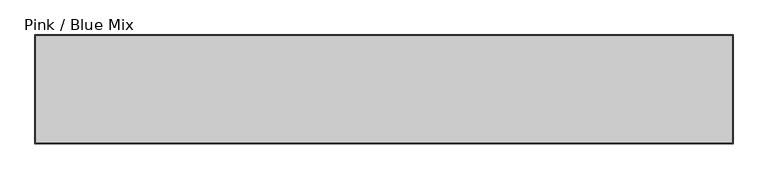
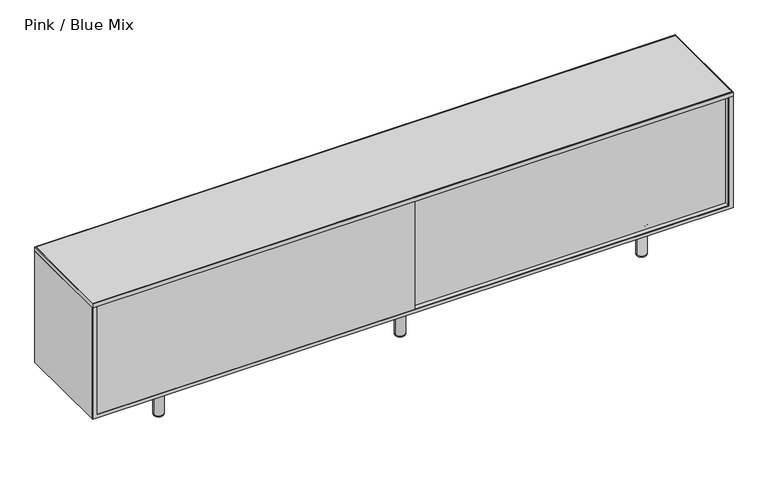
"""IFC4 building model written with IfcOpenShell, lengths in millimetres: furniture geometry, Pink / Blue Mix."""

from ifc_helpers import new_model, si_unit, point, frame, origin, origin_with_axes, place, context, project, spatial, polyline, circle_curve, ellipse_curve, trimmed, outline, extrude, source, transform, mapped, element, save
from ifc_brep_helpers import plane_surface, cylinder_surface, revolved_surface, advanced_brep


def pink_blue_mix_b618a155(model_context):
    return source(origin(), model_context, "Body", "SolidModel", [
        advanced_brep(
        [(530.1068161, -93.0002203, 4.9999847), (559.8906083, -93.0002203, 4.9999847), (544.9987122, -93.0002203, 4.9999847), (524.9987122, -93.0002203, 10.1080886), (564.9987122, -93.0002203, 10.1080886), (524.9987122, -93.0002203, 138.9999847), (564.9987122, -93.0002203, 138.9999847), (519.9987142, -93.0002203, 143.9999847), (569.9987102, -93.0002203, 143.9999847), (519.9987142, -93.0002203, 151.9999847), (569.9987102, -93.0002203, 151.9999847), (544.9987122, -93.0002203, 151.9999847)],
        [
            (0, 1, circle_curve(frame((544.9987122, -93.0002203, 4.9999847), z_axis=(0.0, 0.0, -1.0), x_axis=(1.0, 0.0, 0.0)), 14.8918961)),
            (1, 2),
            (2, 0),
            (1, 0, circle_curve(frame((544.9987122, -93.0002203, 4.9999847), z_axis=(0.0, 0.0, -1.0), x_axis=(1.0, 0.0, 0.0)), 14.8918961)),
            (3, 4, circle_curve(frame((544.9987122, -93.0002203, 10.1080886), z_axis=(0.0, 0.0, -1.0), x_axis=(1.0, 0.0, 0.0)), 20.0)),
            (4, 1, circle_curve(frame((559.8906083, -93.0002203, 10.1080886), z_axis=(0.0, 1.0, 0.0), x_axis=(1.0, 0.0, 0.0)), 5.1081039)),
            (0, 3, circle_curve(frame((530.1068161, -93.0002203, 10.1080886), z_axis=(0.0, 1.0, 0.0), x_axis=(-1.0, 0.0, 0.0)), 5.1081039)),
            (4, 3, circle_curve(frame((544.9987122, -93.0002203, 10.1080886), z_axis=(0.0, 0.0, -1.0), x_axis=(1.0, 0.0, 0.0)), 20.0)),
            (5, 6, circle_curve(frame((544.9987122, -93.0002203, 138.9999847), z_axis=(0.0, 0.0, -1.0), x_axis=(1.0, 0.0, 0.0)), 20.0)),
            (6, 4),
            (3, 5),
            (6, 5, circle_curve(frame((544.9987122, -93.0002203, 138.9999847), z_axis=(0.0, 0.0, -1.0), x_axis=(1.0, 0.0, 0.0)), 20.0)),
            (7, 8, circle_curve(frame((544.9987122, -93.0002203, 143.9999847), z_axis=(0.0, 0.0, -1.0), x_axis=(1.0, 0.0, 0.0)), 24.999998)),
            (8, 6, circle_curve(frame((564.9987102, -93.0002203, 143.9999847), z_axis=(0.0, 1.0, 0.0), x_axis=(1.0, 0.0, 0.0)), 5.0)),
            (5, 7, circle_curve(frame((524.9987142, -93.0002203, 143.9999847), z_axis=(0.0, 1.0, 0.0), x_axis=(-1.0, 0.0, 0.0)), 5.0)),
            (8, 7, circle_curve(frame((544.9987122, -93.0002203, 143.9999847), z_axis=(0.0, 0.0, -1.0), x_axis=(1.0, 0.0, 0.0)), 24.999998)),
            (9, 10, circle_curve(frame((544.9987122, -93.0002203, 151.9999847), z_axis=(0.0, 0.0, -1.0), x_axis=(1.0, 0.0, 0.0)), 24.999998)),
            (10, 8),
            (7, 9),
            (10, 9, circle_curve(frame((544.9987122, -93.0002203, 151.9999847), z_axis=(0.0, 0.0, -1.0), x_axis=(1.0, 0.0, 0.0)), 24.999998)),
            (11, 10),
            (9, 11),
        ],
        [
            plane_surface(frame((544.9987122, -93.0002203, 4.9999847), z_axis=(0.0, 0.0, -1.0), x_axis=(1.0, 0.0, 0.0))),
            revolved_surface(trimmed(ellipse_curve(frame((559.8906083, -93.0002203, 10.1080886), z_axis=(0.0, -1.0, 0.0), x_axis=(1.0, 0.0, 0.0)), 5.1081039, 5.1081039), [point((559.8906083, -93.0002203, 4.9999847))], [point((564.9987122, -93.0002203, 10.1080886))], True, "CARTESIAN"), (544.9987122, -93.0002203, 162.0), (0.0, 0.0, 1.0)),
            cylinder_surface(frame((544.9987122, -93.0002203, 162.0), z_axis=(0.0, 0.0, 1.0), x_axis=(1.0, 0.0, 0.0)), 20.0),
            revolved_surface(trimmed(ellipse_curve(frame((564.9987102, -93.0002203, 143.9999847), z_axis=(0.0, -1.0, 0.0), x_axis=(1.0, 0.0, 0.0)), 5.0, 5.0), [point((564.9987122, -93.0002203, 138.9999847))], [point((569.9987102, -93.0002203, 143.9999847))], True, "CARTESIAN"), (544.9987122, -93.0002203, 162.0), (0.0, 0.0, 1.0)),
            cylinder_surface(frame((544.9987122, -93.0002203, 162.0), z_axis=(0.0, 0.0, 1.0), x_axis=(1.0, 0.0, 0.0)), 24.999998),
            plane_surface(frame((544.9987122, -93.0002203, 151.9999847), z_axis=(0.0, 0.0, 1.0), x_axis=(1.0, 0.0, 0.0))),
        ],
        [
            (0, [[1, 2, 3]]),
            (0, [[4, -3, -2]]),
            (1, [[5, 6, -1, 7]]),
            (1, [[8, -7, -4, -6]]),
            (2, [[9, 10, -5, 11]]),
            (2, [[12, -11, -8, -10]]),
            (3, [[13, 14, -9, 15]]),
            (3, [[16, -15, -12, -14]]),
            (4, [[17, 18, -13, 19]]),
            (4, [[20, -19, -16, -18]]),
            (5, [[21, -17, 22]]),
            (5, [[-22, -20, -21]]),
        ],
    ),
        advanced_brep(
        [(530.1068161, -315.0001246, 4.9999847), (559.8906083, -315.0001246, 4.9999847), (544.9987122, -315.0001246, 4.9999847), (524.9987122, -315.0001246, 10.1080886), (564.9987122, -315.0001246, 10.1080886), (524.9987122, -315.0001246, 138.9999847), (564.9987122, -315.0001246, 138.9999847), (519.9987324, -315.0001246, 143.9999704), (569.998692, -315.0001246, 143.9999704), (519.9987324, -315.0001246, 151.9999847), (569.998692, -315.0001246, 151.9999847), (544.9987122, -315.0001246, 151.9999847)],
        [
            (0, 1, circle_curve(frame((544.9987122, -315.0001246, 4.9999847), z_axis=(0.0, 0.0, -1.0), x_axis=(1.0, 0.0, 0.0)), 14.8918961)),
            (1, 2),
            (2, 0),
            (1, 0, circle_curve(frame((544.9987122, -315.0001246, 4.9999847), z_axis=(0.0, 0.0, -1.0), x_axis=(1.0, 0.0, 0.0)), 14.8918961)),
            (3, 4, circle_curve(frame((544.9987122, -315.0001246, 10.1080886), z_axis=(0.0, 0.0, -1.0), x_axis=(1.0, 0.0, 0.0)), 20.0)),
            (4, 1, circle_curve(frame((559.8906083, -315.0001246, 10.1080886), z_axis=(0.0, 1.0, 0.0), x_axis=(1.0, 0.0, 0.0)), 5.1081039)),
            (0, 3, circle_curve(frame((530.1068161, -315.0001246, 10.1080886), z_axis=(0.0, 1.0, 0.0), x_axis=(-1.0, 0.0, 0.0)), 5.1081039)),
            (4, 3, circle_curve(frame((544.9987122, -315.0001246, 10.1080886), z_axis=(0.0, 0.0, -1.0), x_axis=(1.0, 0.0, 0.0)), 20.0)),
            (5, 6, circle_curve(frame((544.9987122, -315.0001246, 138.9999847), z_axis=(0.0, 0.0, -1.0), x_axis=(1.0, 0.0, 0.0)), 20.0)),
            (6, 4),
            (3, 5),
            (6, 5, circle_curve(frame((544.9987122, -315.0001246, 138.9999847), z_axis=(0.0, 0.0, -1.0), x_axis=(1.0, 0.0, 0.0)), 20.0)),
            (7, 8, circle_curve(frame((544.9987122, -315.0001246, 143.9999704), z_axis=(0.0, 0.0, -1.0), x_axis=(1.0, 0.0, 0.0)), 24.9999798)),
            (8, 6, circle_curve(frame((564.9987064, -315.0001246, 143.9999704), z_axis=(0.0, 1.0, 0.0), x_axis=(1.0, 0.0, 0.0)), 4.9999856)),
            (5, 7, circle_curve(frame((524.998718, -315.0001246, 143.9999704), z_axis=(0.0, 1.0, 0.0), x_axis=(-1.0, 0.0, 0.0)), 4.9999856)),
            (8, 7, circle_curve(frame((544.9987122, -315.0001246, 143.9999704), z_axis=(0.0, 0.0, -1.0), x_axis=(1.0, 0.0, 0.0)), 24.9999798)),
            (9, 10, circle_curve(frame((544.9987122, -315.0001246, 151.9999847), z_axis=(0.0, 0.0, -1.0), x_axis=(1.0, 0.0, 0.0)), 24.9999798)),
            (10, 8),
            (7, 9),
            (10, 9, circle_curve(frame((544.9987122, -315.0001246, 151.9999847), z_axis=(0.0, 0.0, -1.0), x_axis=(1.0, 0.0, 0.0)), 24.9999798)),
            (11, 10),
            (9, 11),
        ],
        [
            plane_surface(frame((544.9987122, -315.0001246, 4.9999847), z_axis=(0.0, 0.0, -1.0), x_axis=(1.0, 0.0, 0.0))),
            revolved_surface(trimmed(ellipse_curve(frame((559.8906083, -315.0001246, 10.1080886), z_axis=(0.0, -1.0, 0.0), x_axis=(1.0, 0.0, 0.0)), 5.1081039, 5.1081039), [point((559.8906083, -315.0001246, 4.9999847))], [point((564.9987122, -315.0001246, 10.1080886))], True, "CARTESIAN"), (544.9987122, -315.0001246, 162.0), (0.0, 0.0, 1.0)),
            cylinder_surface(frame((544.9987122, -315.0001246, 162.0), z_axis=(0.0, 0.0, 1.0), x_axis=(1.0, 0.0, 0.0)), 20.0),
            revolved_surface(trimmed(ellipse_curve(frame((564.9987064, -315.0001246, 143.9999704), z_axis=(0.0, -1.0, 0.0), x_axis=(1.0, 0.0, 0.0)), 4.9999856, 4.9999856), [point((564.9987122, -315.0001246, 138.9999847))], [point((569.998692, -315.0001246, 143.9999704))], True, "CARTESIAN"), (544.9987122, -315.0001246, 162.0), (0.0, 0.0, 1.0)),
            cylinder_surface(frame((544.9987122, -315.0001246, 162.0), z_axis=(0.0, 0.0, 1.0), x_axis=(1.0, 0.0, 0.0)), 24.9999798),
            plane_surface(frame((544.9987122, -315.0001246, 151.9999847), z_axis=(0.0, 0.0, 1.0), x_axis=(1.0, 0.0, 0.0))),
        ],
        [
            (0, [[1, 2, 3]]),
            (0, [[4, -3, -2]]),
            (1, [[5, 6, -1, 7]]),
            (1, [[8, -7, -4, -6]]),
            (2, [[9, 10, -5, 11]]),
            (2, [[12, -11, -8, -10]]),
            (3, [[13, 14, -9, 15]]),
            (3, [[16, -15, -12, -14]]),
            (4, [[17, 18, -13, 19]]),
            (4, [[20, -19, -16, -18]]),
            (5, [[21, -17, 22]]),
            (5, [[-22, -20, -21]]),
        ],
    ),
        extrude(outline(polyline([(1276.9998273, -363.8923054), (554.0327611, -363.8923054), (554.0327611, -360.8443054), (1276.9998273, -360.8443054), (1276.9998273, -363.8923054)])), frame((0.0, 0.0, 385.4660079), z_axis=(0.0, 0.0, 1.0), x_axis=(1.0, 0.0, 0.0)), (0.0, 0.0, 1.0), 18.034),
        extrude(outline(polyline([(1827.0004272, -363.8923054), (1827.0004272, -383.0000066), (535.9671169, -383.0000066), (535.9671169, -363.8923054), (1827.0004272, -363.8923054)])), frame((0.0, 0.0, 162.0000158), z_axis=(0.0, 0.0, 1.0), x_axis=(1.0, 0.0, 0.0)), (0.0, 0.0, 1.0), 464.9659842),
        extrude(outline(polyline([(554.0327611, -360.8443054), (554.0327611, -1.9423054), (1827.0004272, -1.9423054), (1827.0004272, -360.8443054), (554.0327611, -360.8443054)])), frame((0.0, 0.0, 385.4660079), z_axis=(0.0, 0.0, 1.0), x_axis=(1.0, 0.0, 0.0)), (0.0, 0.0, 1.0), 18.034),
        extrude(outline(polyline([(554.0327611, -363.8923054), (535.9671169, -363.8923054), (535.9671169, -2.9999092), (554.0327611, -2.9999092), (554.0327611, -363.8923054)])), frame((0.0, 0.0, 162.0000158), z_axis=(0.0, 0.0, 1.0), x_axis=(1.0, 0.0, 0.0)), (0.0, 0.0, 1.0), 464.9659842),
        extrude(outline(polyline([(554.0327611, -383.0000903), (554.0327611, -402.1077915), (-737.0025024, -402.1077915), (-737.0025024, -383.0000903), (554.0327611, -383.0000903)])), frame((0.0, 0.0, 162.0000158), z_axis=(0.0, 0.0, 1.0), x_axis=(1.0, 0.0, 0.0)), (0.0, 0.0, 1.0), 464.9659842),
        extrude(outline(polyline([(148.999977, -755.0025024), (148.999977, 1845.0004272), (626.966, 1845.0004272), (626.966, 1827.0004272), (162.0000158, 1827.0004272), (162.0000158, -737.0025024), (626.966, -737.0025024), (626.966, -755.0025024), (148.999977, -755.0025024)])), frame((0.0, -404.9992766, 0.0), z_axis=(0.0, 1.0, 0.0), x_axis=(0.0, 0.0, 1.0)), (0.0, 0.0, 1.0), 2.891485),
        extrude(outline(polyline([(-737.0003229, -401.9512766), (-737.0003229, -3.048), (1827.0004272, -3.048), (1827.0004272, -401.9512766), (-737.0003229, -401.9512766)])), frame((0.0, 0.0, 151.9999847), z_axis=(0.0, 0.0, 1.0), x_axis=(1.0, 0.0, 0.0)), (0.0, 0.0, 1.0), 10.0000311),
        extrude(outline(polyline([(-751.9545024, -401.9512766), (-751.9545024, -3.048), (1841.9524272, -3.048), (1841.9524272, -401.9512766), (-751.9545024, -401.9512766)])), frame((0.0, 0.0, 626.966), z_axis=(0.0, 0.0, 1.0), x_axis=(1.0, 0.0, 0.0)), (0.0, 0.0, 1.0), 18.034),
        advanced_brep(
        [(1525.0006479, -93.0002203, 4.9999847), (1510.1087517, -93.0002203, 4.9999847), (1539.892544, -93.0002203, 4.9999847), (1505.0006479, -93.0002203, 10.1080886), (1545.0006479, -93.0002203, 10.1080886), (1505.0006479, -93.0002203, 138.9999847), (1545.0006479, -93.0002203, 138.9999847), (1500.0006499, -93.0002203, 143.9999847), (1550.0006458, -93.0002203, 143.9999847), (1500.0006499, -93.0002203, 151.9999847), (1550.0006458, -93.0002203, 151.9999847), (1525.0006479, -93.0002203, 151.9999847)],
        [
            (0, 1),
            (1, 2, circle_curve(frame((1525.0006479, -93.0002203, 4.9999847), z_axis=(0.0, 0.0, -1.0), x_axis=(-1.0, 0.0, 0.0)), 14.8918961)),
            (2, 0),
            (2, 1, circle_curve(frame((1525.0006479, -93.0002203, 4.9999847), z_axis=(0.0, 0.0, -1.0), x_axis=(-1.0, 0.0, 0.0)), 14.8918961)),
            (1, 3, circle_curve(frame((1510.1087517, -93.0002203, 10.1080886), z_axis=(0.0, 1.0, 0.0), x_axis=(-1.0, 0.0, 0.0)), 5.1081039)),
            (3, 4, circle_curve(frame((1525.0006479, -93.0002203, 10.1080886), z_axis=(0.0, 0.0, -1.0), x_axis=(-1.0, 0.0, 0.0)), 20.0)),
            (4, 2, circle_curve(frame((1539.892544, -93.0002203, 10.1080886), z_axis=(0.0, 1.0, 0.0), x_axis=(1.0, 0.0, 0.0)), 5.1081039)),
            (4, 3, circle_curve(frame((1525.0006479, -93.0002203, 10.1080886), z_axis=(0.0, 0.0, -1.0), x_axis=(-1.0, 0.0, 0.0)), 20.0)),
            (3, 5),
            (5, 6, circle_curve(frame((1525.0006479, -93.0002203, 138.9999847), z_axis=(0.0, 0.0, -1.0), x_axis=(-1.0, 0.0, 0.0)), 20.0)),
            (6, 4),
            (6, 5, circle_curve(frame((1525.0006479, -93.0002203, 138.9999847), z_axis=(0.0, 0.0, -1.0), x_axis=(-1.0, 0.0, 0.0)), 20.0)),
            (5, 7, circle_curve(frame((1505.0006499, -93.0002203, 143.9999847), z_axis=(0.0, 1.0, 0.0), x_axis=(-1.0, 0.0, 0.0)), 5.0)),
            (7, 8, circle_curve(frame((1525.0006479, -93.0002203, 143.9999847), z_axis=(0.0, 0.0, -1.0), x_axis=(-1.0, 0.0, 0.0)), 24.999998)),
            (8, 6, circle_curve(frame((1545.0006458, -93.0002203, 143.9999847), z_axis=(0.0, 1.0, 0.0), x_axis=(1.0, 0.0, 0.0)), 5.0)),
            (8, 7, circle_curve(frame((1525.0006479, -93.0002203, 143.9999847), z_axis=(0.0, 0.0, -1.0), x_axis=(-1.0, 0.0, 0.0)), 24.999998)),
            (7, 9),
            (9, 10, circle_curve(frame((1525.0006479, -93.0002203, 151.9999847), z_axis=(0.0, 0.0, -1.0), x_axis=(-1.0, 0.0, 0.0)), 24.999998)),
            (10, 8),
            (10, 9, circle_curve(frame((1525.0006479, -93.0002203, 151.9999847), z_axis=(0.0, 0.0, -1.0), x_axis=(-1.0, 0.0, 0.0)), 24.999998)),
            (9, 11),
            (11, 10),
        ],
        [
            plane_surface(frame((1525.0006479, -93.0002203, 4.9999847), z_axis=(0.0, 0.0, -1.0), x_axis=(-1.0, 0.0, 0.0))),
            revolved_surface(trimmed(ellipse_curve(frame((1510.1087517, -93.0002203, 10.1080886), z_axis=(0.0, -1.0, 0.0), x_axis=(-1.0, 0.0, 0.0)), 5.1081039, 5.1081039), [point((1505.0006479, -93.0002203, 10.1080886))], [point((1510.1087517, -93.0002203, 4.9999847))], True, "CARTESIAN"), (1525.0006479, -93.0002203, 162.0), (0.0, 0.0, -1.0)),
            cylinder_surface(frame((1525.0006479, -93.0002203, 162.0), z_axis=(0.0, 0.0, -1.0), x_axis=(-1.0, 0.0, 0.0)), 20.0),
            revolved_surface(trimmed(ellipse_curve(frame((1505.0006499, -93.0002203, 143.9999847), z_axis=(0.0, -1.0, 0.0), x_axis=(-1.0, 0.0, 0.0)), 5.0, 5.0), [point((1500.0006499, -93.0002203, 143.9999847))], [point((1505.0006479, -93.0002203, 138.9999847))], True, "CARTESIAN"), (1525.0006479, -93.0002203, 162.0), (0.0, 0.0, -1.0)),
            cylinder_surface(frame((1525.0006479, -93.0002203, 162.0), z_axis=(0.0, 0.0, -1.0), x_axis=(-1.0, 0.0, 0.0)), 24.999998),
            plane_surface(frame((1525.0006479, -93.0002203, 151.9999847), z_axis=(0.0, 0.0, 1.0), x_axis=(-1.0, 0.0, 0.0))),
        ],
        [
            (0, [[1, 2, 3]]),
            (0, [[-3, 4, -1]]),
            (1, [[-2, 5, 6, 7]]),
            (1, [[-4, -7, 8, -5]]),
            (2, [[-6, 9, 10, 11]]),
            (2, [[-8, -11, 12, -9]]),
            (3, [[-10, 13, 14, 15]]),
            (3, [[-12, -15, 16, -13]]),
            (4, [[-14, 17, 18, 19]]),
            (4, [[-16, -19, 20, -17]]),
            (5, [[-18, 21, 22]]),
            (5, [[-20, -22, -21]]),
        ],
    ),
        advanced_brep(
        [(1525.0006479, -315.0001246, 4.9999847), (1510.1087517, -315.0001246, 4.9999847), (1539.892544, -315.0001246, 4.9999847), (1505.0006479, -315.0001246, 10.1080886), (1545.0006479, -315.0001246, 10.1080886), (1505.0006479, -315.0001246, 138.9999847), (1545.0006479, -315.0001246, 138.9999847), (1500.000668, -315.0001246, 143.9999704), (1550.0006277, -315.0001246, 143.9999704), (1500.000668, -315.0001246, 151.9999847), (1550.0006277, -315.0001246, 151.9999847), (1525.0006479, -315.0001246, 151.9999847)],
        [
            (0, 1),
            (1, 2, circle_curve(frame((1525.0006479, -315.0001246, 4.9999847), z_axis=(0.0, 0.0, -1.0), x_axis=(-1.0, 0.0, 0.0)), 14.8918961)),
            (2, 0),
            (2, 1, circle_curve(frame((1525.0006479, -315.0001246, 4.9999847), z_axis=(0.0, 0.0, -1.0), x_axis=(-1.0, 0.0, 0.0)), 14.8918961)),
            (1, 3, circle_curve(frame((1510.1087517, -315.0001246, 10.1080886), z_axis=(0.0, 1.0, 0.0), x_axis=(-1.0, 0.0, 0.0)), 5.1081039)),
            (3, 4, circle_curve(frame((1525.0006479, -315.0001246, 10.1080886), z_axis=(0.0, 0.0, -1.0), x_axis=(-1.0, 0.0, 0.0)), 20.0)),
            (4, 2, circle_curve(frame((1539.892544, -315.0001246, 10.1080886), z_axis=(0.0, 1.0, 0.0), x_axis=(1.0, 0.0, 0.0)), 5.1081039)),
            (4, 3, circle_curve(frame((1525.0006479, -315.0001246, 10.1080886), z_axis=(0.0, 0.0, -1.0), x_axis=(-1.0, 0.0, 0.0)), 20.0)),
            (3, 5),
            (5, 6, circle_curve(frame((1525.0006479, -315.0001246, 138.9999847), z_axis=(0.0, 0.0, -1.0), x_axis=(-1.0, 0.0, 0.0)), 20.0)),
            (6, 4),
            (6, 5, circle_curve(frame((1525.0006479, -315.0001246, 138.9999847), z_axis=(0.0, 0.0, -1.0), x_axis=(-1.0, 0.0, 0.0)), 20.0)),
            (5, 7, circle_curve(frame((1505.0006537, -315.0001246, 143.9999704), z_axis=(0.0, 1.0, 0.0), x_axis=(-1.0, 0.0, 0.0)), 4.9999856)),
            (7, 8, circle_curve(frame((1525.0006479, -315.0001246, 143.9999704), z_axis=(0.0, 0.0, -1.0), x_axis=(-1.0, 0.0, 0.0)), 24.9999798)),
            (8, 6, circle_curve(frame((1545.000642, -315.0001246, 143.9999704), z_axis=(0.0, 1.0, 0.0), x_axis=(1.0, 0.0, 0.0)), 4.9999856)),
            (8, 7, circle_curve(frame((1525.0006479, -315.0001246, 143.9999704), z_axis=(0.0, 0.0, -1.0), x_axis=(-1.0, 0.0, 0.0)), 24.9999798)),
            (7, 9),
            (9, 10, circle_curve(frame((1525.0006479, -315.0001246, 151.9999847), z_axis=(0.0, 0.0, -1.0), x_axis=(-1.0, 0.0, 0.0)), 24.9999798)),
            (10, 8),
            (10, 9, circle_curve(frame((1525.0006479, -315.0001246, 151.9999847), z_axis=(0.0, 0.0, -1.0), x_axis=(-1.0, 0.0, 0.0)), 24.9999798)),
            (9, 11),
            (11, 10),
        ],
        [
            plane_surface(frame((1525.0006479, -315.0001246, 4.9999847), z_axis=(0.0, 0.0, -1.0), x_axis=(-1.0, 0.0, 0.0))),
            revolved_surface(trimmed(ellipse_curve(frame((1510.1087517, -315.0001246, 10.1080886), z_axis=(0.0, -1.0, 0.0), x_axis=(-1.0, 0.0, 0.0)), 5.1081039, 5.1081039), [point((1505.0006479, -315.0001246, 10.1080886))], [point((1510.1087517, -315.0001246, 4.9999847))], True, "CARTESIAN"), (1525.0006479, -315.0001246, 162.0), (0.0, 0.0, -1.0)),
            cylinder_surface(frame((1525.0006479, -315.0001246, 162.0), z_axis=(0.0, 0.0, -1.0), x_axis=(-1.0, 0.0, 0.0)), 20.0),
            revolved_surface(trimmed(ellipse_curve(frame((1505.0006537, -315.0001246, 143.9999704), z_axis=(0.0, -1.0, 0.0), x_axis=(-1.0, 0.0, 0.0)), 4.9999856, 4.9999856), [point((1500.000668, -315.0001246, 143.9999704))], [point((1505.0006479, -315.0001246, 138.9999847))], True, "CARTESIAN"), (1525.0006479, -315.0001246, 162.0), (0.0, 0.0, -1.0)),
            cylinder_surface(frame((1525.0006479, -315.0001246, 162.0), z_axis=(0.0, 0.0, -1.0), x_axis=(-1.0, 0.0, 0.0)), 24.9999798),
            plane_surface(frame((1525.0006479, -315.0001246, 151.9999847), z_axis=(0.0, 0.0, 1.0), x_axis=(-1.0, 0.0, 0.0))),
        ],
        [
            (0, [[1, 2, 3]]),
            (0, [[-3, 4, -1]]),
            (1, [[-2, 5, 6, 7]]),
            (1, [[-4, -7, 8, -5]]),
            (2, [[-6, 9, 10, 11]]),
            (2, [[-8, -11, 12, -9]]),
            (3, [[-10, 13, 14, 15]]),
            (3, [[-12, -15, 16, -13]]),
            (4, [[-14, 17, 18, 19]]),
            (4, [[-16, -19, 20, -17]]),
            (5, [[-18, 21, 22]]),
            (5, [[-20, -22, -21]]),
        ],
    ),
        extrude(outline(polyline([(-755.0025024, 0.0), (1845.0004272, 0.0), (1845.0004272, -404.9992766), (-755.0025024, -404.9992766), (-755.0025024, 0.0)]), holes=[polyline([(-751.9545024, -2.9999092), (-751.9545024, -401.9512766), (1841.9524272, -401.9512766), (1841.9524272, -2.9999092), (-751.9545024, -2.9999092)])]), frame((0.0, 0.0, 626.966), z_axis=(0.0, 0.0, 1.0), x_axis=(1.0, 0.0, 0.0)), (0.0, 0.0, 1.0), 18.034),
        extrude(outline(polyline([(1827.0004272, 0.0), (1827.0004272, -2.9999092), (-737.0025024, -2.9999092), (-737.0025024, 0.0), (1827.0004272, 0.0)])), frame((0.0, 0.0, 151.9999847), z_axis=(0.0, 0.0, 1.0), x_axis=(1.0, 0.0, 0.0)), (0.0, 0.0, 1.0), 474.9660153),
        extrude(outline(polyline([(-737.0025024, -402.1077915), (-755.0025024, -402.1077915), (-755.0025024, 0.0), (-737.0025024, 0.0), (-737.0025024, -402.1077915)])), frame((0.0, 0.0, 148.999977), z_axis=(0.0, 0.0, 1.0), x_axis=(1.0, 0.0, 0.0)), (0.0, 0.0, 1.0), 477.966023),
        extrude(outline(polyline([(1845.0004272, -402.1077915), (1827.0004272, -402.1077915), (1827.0004272, 0.0), (1845.0004272, 0.0), (1845.0004272, -402.1077915)])), frame((0.0, 0.0, 148.999977), z_axis=(0.0, 0.0, 1.0), x_axis=(1.0, 0.0, 0.0)), (0.0, 0.0, 1.0), 477.966023),
        advanced_brep(
        [(-449.8936722, -93.0002203, 4.9999847), (-420.10988, -93.0002203, 4.9999847), (-435.0017761, -93.0002203, 4.9999847), (-455.0017761, -93.0002203, 10.1080886), (-415.0017761, -93.0002203, 10.1080886), (-455.0017761, -93.0002203, 138.9999847), (-415.0017761, -93.0002203, 138.9999847), (-460.001774, -93.0002203, 143.9999847), (-410.0017781, -93.0002203, 143.9999847), (-460.001774, -93.0002203, 151.9999847), (-410.0017781, -93.0002203, 151.9999847), (-435.0017761, -93.0002203, 151.9999847)],
        [
            (0, 1, circle_curve(frame((-435.0017761, -93.0002203, 4.9999847), z_axis=(0.0, 0.0, -1.0), x_axis=(1.0, 0.0, 0.0)), 14.8918961)),
            (1, 2),
            (2, 0),
            (1, 0, circle_curve(frame((-435.0017761, -93.0002203, 4.9999847), z_axis=(0.0, 0.0, -1.0), x_axis=(1.0, 0.0, 0.0)), 14.8918961)),
            (3, 4, circle_curve(frame((-435.0017761, -93.0002203, 10.1080886), z_axis=(0.0, 0.0, -1.0), x_axis=(1.0, 0.0, 0.0)), 20.0)),
            (4, 1, circle_curve(frame((-420.10988, -93.0002203, 10.1080886), z_axis=(0.0, 1.0, 0.0), x_axis=(1.0, 0.0, 0.0)), 5.1081039)),
            (0, 3, circle_curve(frame((-449.8936722, -93.0002203, 10.1080886), z_axis=(0.0, 1.0, 0.0), x_axis=(-1.0, 0.0, 0.0)), 5.1081039)),
            (4, 3, circle_curve(frame((-435.0017761, -93.0002203, 10.1080886), z_axis=(0.0, 0.0, -1.0), x_axis=(1.0, 0.0, 0.0)), 20.0)),
            (5, 6, circle_curve(frame((-435.0017761, -93.0002203, 138.9999847), z_axis=(0.0, 0.0, -1.0), x_axis=(1.0, 0.0, 0.0)), 20.0)),
            (6, 4),
            (3, 5),
            (6, 5, circle_curve(frame((-435.0017761, -93.0002203, 138.9999847), z_axis=(0.0, 0.0, -1.0), x_axis=(1.0, 0.0, 0.0)), 20.0)),
            (7, 8, circle_curve(frame((-435.0017761, -93.0002203, 143.9999847), z_axis=(0.0, 0.0, -1.0), x_axis=(1.0, 0.0, 0.0)), 24.999998)),
            (8, 6, circle_curve(frame((-415.0017781, -93.0002203, 143.9999847), z_axis=(0.0, 1.0, 0.0), x_axis=(1.0, 0.0, 0.0)), 5.0)),
            (5, 7, circle_curve(frame((-455.001774, -93.0002203, 143.9999847), z_axis=(0.0, 1.0, 0.0), x_axis=(-1.0, 0.0, 0.0)), 5.0)),
            (8, 7, circle_curve(frame((-435.0017761, -93.0002203, 143.9999847), z_axis=(0.0, 0.0, -1.0), x_axis=(1.0, 0.0, 0.0)), 24.999998)),
            (9, 10, circle_curve(frame((-435.0017761, -93.0002203, 151.9999847), z_axis=(0.0, 0.0, -1.0), x_axis=(1.0, 0.0, 0.0)), 24.999998)),
            (10, 8),
            (7, 9),
            (10, 9, circle_curve(frame((-435.0017761, -93.0002203, 151.9999847), z_axis=(0.0, 0.0, -1.0), x_axis=(1.0, 0.0, 0.0)), 24.999998)),
            (11, 10),
            (9, 11),
        ],
        [
            plane_surface(frame((-435.0017761, -93.0002203, 4.9999847), z_axis=(0.0, 0.0, -1.0), x_axis=(1.0, 0.0, 0.0))),
            revolved_surface(trimmed(ellipse_curve(frame((-420.10988, -93.0002203, 10.1080886), z_axis=(0.0, -1.0, 0.0), x_axis=(1.0, 0.0, 0.0)), 5.1081039, 5.1081039), [point((-420.10988, -93.0002203, 4.9999847))], [point((-415.0017761, -93.0002203, 10.1080886))], True, "CARTESIAN"), (-435.0017761, -93.0002203, 162.0), (0.0, 0.0, 1.0)),
            cylinder_surface(frame((-435.0017761, -93.0002203, 162.0), z_axis=(0.0, 0.0, 1.0), x_axis=(1.0, 0.0, 0.0)), 20.0),
            revolved_surface(trimmed(ellipse_curve(frame((-415.0017781, -93.0002203, 143.9999847), z_axis=(0.0, -1.0, 0.0), x_axis=(1.0, 0.0, 0.0)), 5.0, 5.0), [point((-415.0017761, -93.0002203, 138.9999847))], [point((-410.0017781, -93.0002203, 143.9999847))], True, "CARTESIAN"), (-435.0017761, -93.0002203, 162.0), (0.0, 0.0, 1.0)),
            cylinder_surface(frame((-435.0017761, -93.0002203, 162.0), z_axis=(0.0, 0.0, 1.0), x_axis=(1.0, 0.0, 0.0)), 24.999998),
            plane_surface(frame((-435.0017761, -93.0002203, 151.9999847), z_axis=(0.0, 0.0, 1.0), x_axis=(1.0, 0.0, 0.0))),
        ],
        [
            (0, [[1, 2, 3]]),
            (0, [[4, -3, -2]]),
            (1, [[5, 6, -1, 7]]),
            (1, [[8, -7, -4, -6]]),
            (2, [[9, 10, -5, 11]]),
            (2, [[12, -11, -8, -10]]),
            (3, [[13, 14, -9, 15]]),
            (3, [[16, -15, -12, -14]]),
            (4, [[17, 18, -13, 19]]),
            (4, [[20, -19, -16, -18]]),
            (5, [[21, -17, 22]]),
            (5, [[-22, -20, -21]]),
        ],
    ),
        advanced_brep(
        [(-449.8936722, -315.0001246, 4.9999847), (-420.10988, -315.0001246, 4.9999847), (-435.0017761, -315.0001246, 4.9999847), (-455.0017761, -315.0001246, 10.1080886), (-415.0017761, -315.0001246, 10.1080886), (-455.0017761, -315.0001246, 138.9999847), (-415.0017761, -315.0001246, 138.9999847), (-460.0017559, -315.0001246, 143.9999704), (-410.0017963, -315.0001246, 143.9999704), (-460.0017559, -315.0001246, 151.9999847), (-410.0017963, -315.0001246, 151.9999847), (-435.0017761, -315.0001246, 151.9999847)],
        [
            (0, 1, circle_curve(frame((-435.0017761, -315.0001246, 4.9999847), z_axis=(0.0, 0.0, -1.0), x_axis=(1.0, 0.0, 0.0)), 14.8918961)),
            (1, 2),
            (2, 0),
            (1, 0, circle_curve(frame((-435.0017761, -315.0001246, 4.9999847), z_axis=(0.0, 0.0, -1.0), x_axis=(1.0, 0.0, 0.0)), 14.8918961)),
            (3, 4, circle_curve(frame((-435.0017761, -315.0001246, 10.1080886), z_axis=(0.0, 0.0, -1.0), x_axis=(1.0, 0.0, 0.0)), 20.0)),
            (4, 1, circle_curve(frame((-420.10988, -315.0001246, 10.1080886), z_axis=(0.0, 1.0, 0.0), x_axis=(1.0, 0.0, 0.0)), 5.1081039)),
            (0, 3, circle_curve(frame((-449.8936722, -315.0001246, 10.1080886), z_axis=(0.0, 1.0, 0.0), x_axis=(-1.0, 0.0, 0.0)), 5.1081039)),
            (4, 3, circle_curve(frame((-435.0017761, -315.0001246, 10.1080886), z_axis=(0.0, 0.0, -1.0), x_axis=(1.0, 0.0, 0.0)), 20.0)),
            (5, 6, circle_curve(frame((-435.0017761, -315.0001246, 138.9999847), z_axis=(0.0, 0.0, -1.0), x_axis=(1.0, 0.0, 0.0)), 20.0)),
            (6, 4),
            (3, 5),
            (6, 5, circle_curve(frame((-435.0017761, -315.0001246, 138.9999847), z_axis=(0.0, 0.0, -1.0), x_axis=(1.0, 0.0, 0.0)), 20.0)),
            (7, 8, circle_curve(frame((-435.0017761, -315.0001246, 143.9999704), z_axis=(0.0, 0.0, -1.0), x_axis=(1.0, 0.0, 0.0)), 24.9999798)),
            (8, 6, circle_curve(frame((-415.0017819, -315.0001246, 143.9999704), z_axis=(0.0, 1.0, 0.0), x_axis=(1.0, 0.0, 0.0)), 4.9999856)),
            (5, 7, circle_curve(frame((-455.0017703, -315.0001246, 143.9999704), z_axis=(0.0, 1.0, 0.0), x_axis=(-1.0, 0.0, 0.0)), 4.9999856)),
            (8, 7, circle_curve(frame((-435.0017761, -315.0001246, 143.9999704), z_axis=(0.0, 0.0, -1.0), x_axis=(1.0, 0.0, 0.0)), 24.9999798)),
            (9, 10, circle_curve(frame((-435.0017761, -315.0001246, 151.9999847), z_axis=(0.0, 0.0, -1.0), x_axis=(1.0, 0.0, 0.0)), 24.9999798)),
            (10, 8),
            (7, 9),
            (10, 9, circle_curve(frame((-435.0017761, -315.0001246, 151.9999847), z_axis=(0.0, 0.0, -1.0), x_axis=(1.0, 0.0, 0.0)), 24.9999798)),
            (11, 10),
            (9, 11),
        ],
        [
            plane_surface(frame((-435.0017761, -315.0001246, 4.9999847), z_axis=(0.0, 0.0, -1.0), x_axis=(1.0, 0.0, 0.0))),
            revolved_surface(trimmed(ellipse_curve(frame((-420.10988, -315.0001246, 10.1080886), z_axis=(0.0, -1.0, 0.0), x_axis=(1.0, 0.0, 0.0)), 5.1081039, 5.1081039), [point((-420.10988, -315.0001246, 4.9999847))], [point((-415.0017761, -315.0001246, 10.1080886))], True, "CARTESIAN"), (-435.0017761, -315.0001246, 162.0), (0.0, 0.0, 1.0)),
            cylinder_surface(frame((-435.0017761, -315.0001246, 162.0), z_axis=(0.0, 0.0, 1.0), x_axis=(1.0, 0.0, 0.0)), 20.0),
            revolved_surface(trimmed(ellipse_curve(frame((-415.0017819, -315.0001246, 143.9999704), z_axis=(0.0, -1.0, 0.0), x_axis=(1.0, 0.0, 0.0)), 4.9999856, 4.9999856), [point((-415.0017761, -315.0001246, 138.9999847))], [point((-410.0017963, -315.0001246, 143.9999704))], True, "CARTESIAN"), (-435.0017761, -315.0001246, 162.0), (0.0, 0.0, 1.0)),
            cylinder_surface(frame((-435.0017761, -315.0001246, 162.0), z_axis=(0.0, 0.0, 1.0), x_axis=(1.0, 0.0, 0.0)), 24.9999798),
            plane_surface(frame((-435.0017761, -315.0001246, 151.9999847), z_axis=(0.0, 0.0, 1.0), x_axis=(1.0, 0.0, 0.0))),
        ],
        [
            (0, [[1, 2, 3]]),
            (0, [[4, -3, -2]]),
            (1, [[5, 6, -1, 7]]),
            (1, [[8, -7, -4, -6]]),
            (2, [[9, 10, -5, 11]]),
            (2, [[12, -11, -8, -10]]),
            (3, [[13, 14, -9, 15]]),
            (3, [[16, -15, -12, -14]]),
            (4, [[17, 18, -13, 19]]),
            (4, [[20, -19, -16, -18]]),
            (5, [[21, -17, 22]]),
            (5, [[-22, -20, -21]]),
        ],
    ),
        extrude(outline(polyline([(-430.0000698, -306.3398785), (-425.000061, -315.0001415), (-430.000061, -323.6603893), (-440.000061, -323.6603893), (-445.000061, -315.0001415), (-440.000061, -306.3398785), (-430.0000698, -306.3398785)])), origin_with_axes(), (0.0, 0.0, 1.0), 4.9999847),
        extrude(outline(polyline([(-445.0000881, -93.0001781), (-440.0000934, -84.3399395), (-430.0000832, -84.3399395), (-425.0000908, -93.0001741), (-430.0000985, -101.6604351), (-440.0000828, -101.6604351), (-445.0000881, -93.0001781)])), origin_with_axes(), (0.0, 0.0, 1.0), 4.9999847),
        extrude(outline(polyline([(1519.9999478, -306.3398785), (1529.999939, -306.3398785), (1534.999939, -315.0001415), (1529.999939, -323.6603893), (1519.999939, -323.6603893), (1514.999939, -315.0001415), (1519.9999478, -306.3398785)])), origin_with_axes(), (0.0, 0.0, 1.0), 4.9999847),
        extrude(outline(polyline([(1534.999966, -93.0001781), (1529.9999607, -101.6604351), (1519.9999764, -101.6604351), (1514.9999687, -93.0001741), (1519.9999611, -84.3399395), (1529.9999713, -84.3399395), (1534.999966, -93.0001781)])), origin_with_axes(), (0.0, 0.0, 1.0), 4.9999847),
        extrude(outline(polyline([(539.9999478, -306.3398785), (549.999939, -306.3398785), (554.999939, -315.0001415), (549.999939, -323.6603893), (539.999939, -323.6603893), (534.999939, -315.0001415), (539.9999478, -306.3398785)])), origin_with_axes(), (0.0, 0.0, 1.0), 4.9999847),
        extrude(outline(polyline([(554.999966, -93.0001781), (549.9999607, -101.6604351), (539.9999764, -101.6604351), (534.9999687, -93.0001741), (539.9999611, -84.3399395), (549.9999713, -84.3399395), (554.999966, -93.0001781)])), origin_with_axes(), (0.0, 0.0, 1.0), 4.9999847),
    ])


if __name__ == "__main__":
    model = new_model("IFC4")
    model_context = context("Model", 3, world=origin())
    ifc_project = project(units=[si_unit("LENGTHUNIT", "METRE", prefix="MILLI")], contexts=[model_context])
    site = spatial("IfcSite", under=ifc_project)
    building = spatial("IfcBuilding", under=site)
    placement = place(None, origin())
    pink_blue_mix_shape = pink_blue_mix_b618a155(model_context)
    element("IfcFurniture", 1, ObjectType="Pink / Blue Mix", at=placement, inside=building, context=model_context, shape_type="MappedRepresentation", body=[
        mapped(pink_blue_mix_shape, transform((0.0, 0.0, 0.0), x_axis=(1.0, 0.0, 0.0), y_axis=(0.0, 1.0, 0.0), z_axis=(0.0, 0.0, 1.0))),
    ])
    save(model, "model.ifc")
